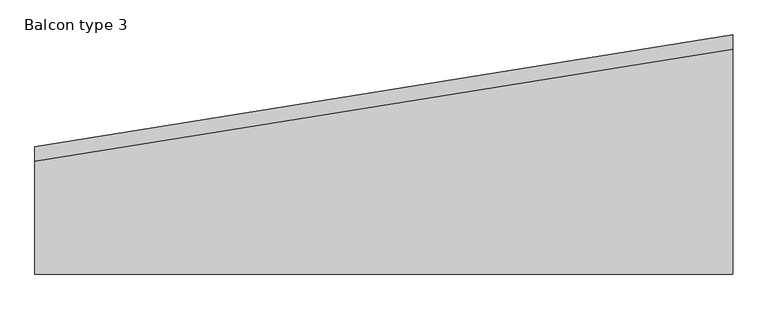
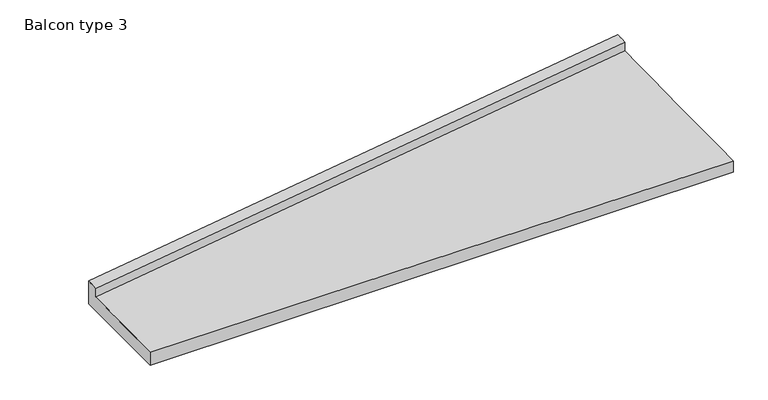
"""IFC4 building model written with IfcOpenShell, lengths in millimetres: proxy geometry, Balcon type 3."""

from ifc_helpers import new_model, si_unit, frame, origin, place, context, project, spatial, source, transform, mapped, element, save
from ifc_brep_helpers import plane_surface, spline_surface, advanced_brep


def balcon_type_3_36d7efb9(model_context):
    return source(origin(), model_context, "Body", "AdvancedBrep", [
        advanced_brep(
        [(8615.0, 2951.2, 0.0), (8615.0, 2951.2, 360.0), (8615.0, 2771.2, 357.1363185), (8615.0, 2771.2, 219.8190027), (8615.0, 0.0, 175.7310351), (8615.0, 0.0, 0.0), (0.0, 1573.3, 0.0), (0.0, 0.0, 0.0), (0.0, 0.0, 196.3999856), (0.0, 1393.3, 219.984554), (0.0, 1393.3, 357.2999411), (0.0, 1573.3, 360.0)],
        [
            (0, 1),
            (1, 2),
            (2, 3),
            (3, 4),
            (4, 5),
            (5, 0),
            (6, 7),
            (7, 8),
            (8, 9),
            (9, 10),
            (10, 11),
            (11, 6),
            (11, 1),
            (0, 6),
            (10, 2),
            (9, 3),
            (8, 4),
            (7, 5),
        ],
        [
            plane_surface(frame((8615.0, 1907.4666667, 185.447726), z_axis=(1.0, 0.0, 0.0), x_axis=(0.0, 0.0, 1.0))),
            plane_surface(frame((0.0, 988.8666667, 188.9474135), z_axis=(-1.0, 0.0, 0.0), x_axis=(0.0, 0.0, 1.0))),
            plane_surface(frame((0.0, 1573.3, 180.0), z_axis=(-0.15793462146635667, 0.9874495710375688, 0.0), x_axis=(0.0, 0.0, 1.0))),
            spline_surface(1, 1, [[(0.0, 1573.3, 360.0), (8615.0, 2951.2, 360.0)], [(0.0, 1393.3, 357.2999411), (8615.0, 2771.2, 357.1363185)]], [2, 2], [2, 2], [0.0, 1.0], [0.0, 1.0]),
            plane_surface(frame((0.0, 1393.3, 288.6422476), z_axis=(0.15793462146635587, -0.987449571037569, 0.0), x_axis=(0.0, 0.0, -1.0))),
            spline_surface(1, 1, [[(0.0, 1393.3, 219.984554), (8615.0, 2771.2, 219.8190027)], [(0.0, 0.0, 196.3999856), (8615.0, 0.0, 175.7310351)]], [2, 2], [2, 2], [0.0, 1.0], [0.0, 1.0]),
            plane_surface(frame((0.0, 0.0, 98.1999928), z_axis=(0.0, -1.0, 0.0), x_axis=(0.0, 0.0, -1.0))),
            plane_surface(frame((0.0, 786.65, 0.0), z_axis=(0.0, 0.0, -1.0), x_axis=(0.0, 1.0, 0.0))),
        ],
        [
            (0, [[1, 2, 3, 4, 5, 6]]),
            (1, [[7, 8, 9, 10, 11, 12]]),
            (2, [[-12, 13, -1, 14]]),
            (3, [[-11, 15, -2, -13]]),
            (4, [[-10, 16, -3, -15]]),
            (5, [[-9, 17, -4, -16]]),
            (6, [[-8, 18, -5, -17]]),
            (7, [[-7, -14, -6, -18]]),
        ],
    ),
    ])


if __name__ == "__main__":
    model = new_model("IFC4")
    model_context = context("Model", 3, world=origin())
    ifc_project = project(units=[si_unit("LENGTHUNIT", "METRE", prefix="MILLI")], contexts=[model_context])
    site = spatial("IfcSite", under=ifc_project)
    building = spatial("IfcBuilding", under=site)
    placement = place(None, origin())
    balcon_type_3_shape = balcon_type_3_36d7efb9(model_context)
    element("IfcBuildingElementProxy", 1, Name="Balcon type 3", ObjectType="Balcon type 3", at=placement, inside=building, context=model_context, shape_type="MappedRepresentation", body=[
        mapped(balcon_type_3_shape, transform((0.0, 0.0, 0.0), x_axis=(1.0, 0.0, 0.0), y_axis=(0.0, 1.0, 0.0), z_axis=(0.0, 0.0, 1.0))),
    ])
    save(model, "model.ifc")
